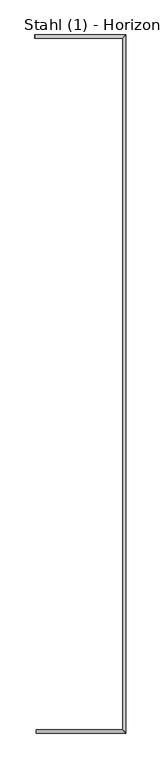
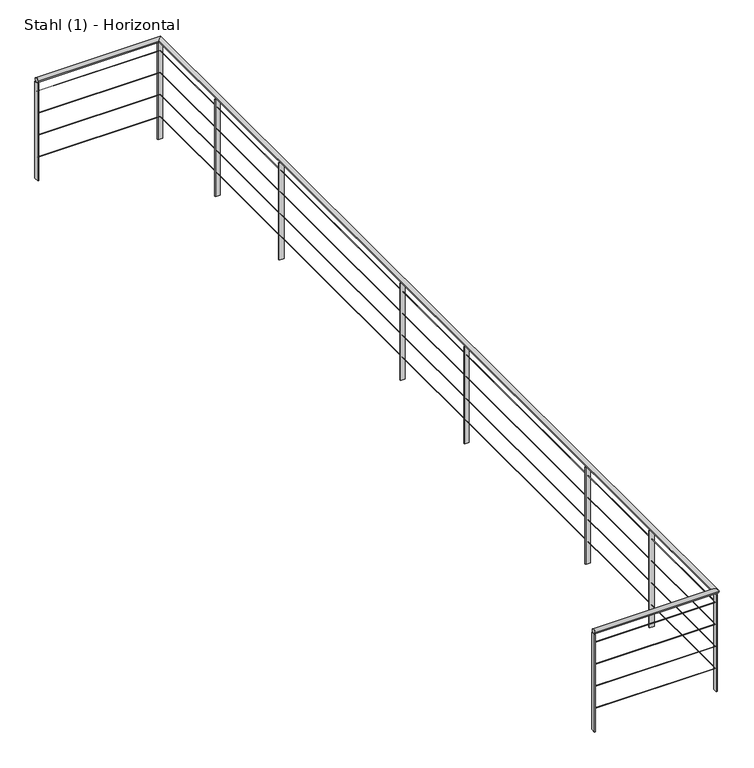
"""IFC4 building model written with IfcOpenShell, lengths in millimetres: railing geometry, Stahl (1) - Horizontal."""

from ifc_helpers import new_model, si_unit, frame, origin, place, context, project, spatial, polyline, circle_curve, ellipse_curve, outline, extrude, source, transform, mapped, element, save
from ifc_brep_helpers import plane_surface, cylinder_surface, advanced_brep


def stahl_1_horizontal_2dc87f12(model_context):
    return source(origin(), model_context, "Body", "SolidModel", [
        advanced_brep(
        [(34782.3888375, 17220.3990241, 4700.0), (34782.3888375, 17180.3990241, 4700.0), (35805.7514238, 17220.3990241, 4700.0), (35845.7514238, 17180.3990241, 4700.0), (35805.7514238, 25423.2661875, 4700.0), (35845.7514238, 25463.2661875, 4700.0), (34769.2514238, 25423.2661875, 4700.0), (34769.2514238, 25463.2661875, 4700.0)],
        [
            (0, 1, circle_curve(frame((34782.3888375, 17200.3990241, 4700.0), z_axis=(-1.0, 0.0, 0.0), x_axis=(0.0, -1.0, 0.0)), 20.0)),
            (1, 0, circle_curve(frame((34782.3888375, 17200.3990241, 4700.0), z_axis=(-1.0, 0.0, 0.0), x_axis=(0.0, -1.0, 0.0)), 20.0)),
            (0, 2),
            (2, 3, ellipse_curve(frame((35825.7514238, 17200.3990241, 4700.0), z_axis=(-0.7071067811865475, -0.7071067811865475, 0.0), x_axis=(-0.7071067811865476, 0.7071067811865474, 0.0)), 28.2842712, 20.0)),
            (3, 1),
            (3, 2, ellipse_curve(frame((35825.7514238, 17200.3990241, 4700.0), z_axis=(-0.7071067811865475, -0.7071067811865475, 0.0), x_axis=(-0.7071067811865476, 0.7071067811865474, 0.0)), 28.2842712, 20.0)),
            (2, 4),
            (4, 5, ellipse_curve(frame((35825.7514238, 25443.2661875, 4700.0), z_axis=(0.7071067811865475, -0.7071067811865475, 0.0), x_axis=(-0.7071067811865474, -0.7071067811865476, 0.0)), 28.2842712, 20.0)),
            (5, 3),
            (5, 4, ellipse_curve(frame((35825.7514238, 25443.2661875, 4700.0), z_axis=(0.7071067811865475, -0.7071067811865475, 0.0), x_axis=(-0.7071067811865474, -0.7071067811865476, 0.0)), 28.2842712, 20.0)),
            (6, 7, circle_curve(frame((34769.2514238, 25443.2661875, 4700.0), z_axis=(-1.0, 0.0, 0.0), x_axis=(0.0, 1.0, 0.0)), 20.0)),
            (7, 6, circle_curve(frame((34769.2514238, 25443.2661875, 4700.0), z_axis=(-1.0, 0.0, 0.0), x_axis=(0.0, 1.0, 0.0)), 20.0)),
            (4, 6),
            (7, 5),
        ],
        [
            plane_surface(frame((34782.3888375, 17200.3990241, 4720.0), z_axis=(-1.0, 0.0, 0.0), x_axis=(0.0, 1.0, 0.0))),
            cylinder_surface(frame((34782.3888375, 17200.3990241, 4700.0), z_axis=(-1.0, 0.0, 0.0), x_axis=(0.0, -1.0, 0.0)), 20.0),
            cylinder_surface(frame((35825.7514238, 17200.3990241, 4700.0), z_axis=(0.0, -1.0, 0.0), x_axis=(1.0, 0.0, 0.0)), 20.0),
            plane_surface(frame((34769.2514238, 25443.2661875, 4720.0), z_axis=(-1.0, 0.0, 0.0), x_axis=(0.0, -1.0, 0.0))),
            cylinder_surface(frame((35825.7514238, 25443.2661875, 4700.0), z_axis=(1.0, 0.0, 0.0), x_axis=(0.0, 1.0, 0.0)), 20.0),
        ],
        [
            (0, [[1, 2]]),
            (1, [[-1, 3, 4, 5]]),
            (1, [[-2, -5, 6, -3]]),
            (2, [[-4, 7, 8, 9]]),
            (2, [[-6, -9, 10, -7]]),
            (3, [[11, 12]]),
            (4, [[-8, 13, -12, 14]]),
            (4, [[-10, -14, -11, -13]]),
        ],
    ),
        advanced_brep(
        [(34782.3888375, 17201.8990241, 4598.5), (34782.3888375, 17198.8990241, 4598.5), (35824.2514238, 17201.8990241, 4598.5), (35827.2514238, 17198.8990241, 4598.5), (35824.2514238, 25441.7661875, 4598.5), (35827.2514238, 25444.7661875, 4598.5), (34769.2514238, 25441.7661875, 4598.5), (34769.2514238, 25444.7661875, 4598.5)],
        [
            (0, 1, circle_curve(frame((34782.3888375, 17200.3990241, 4598.5), z_axis=(-1.0, 0.0, 0.0), x_axis=(0.0, -1.0, 0.0)), 1.5)),
            (1, 0, circle_curve(frame((34782.3888375, 17200.3990241, 4598.5), z_axis=(-1.0, 0.0, 0.0), x_axis=(0.0, -1.0, 0.0)), 1.5)),
            (0, 2),
            (2, 3, ellipse_curve(frame((35825.7514238, 17200.3990241, 4598.5), z_axis=(-0.7071067811865475, -0.7071067811865475, 0.0), x_axis=(-0.7071067811865476, 0.7071067811865474, 0.0)), 2.1213203, 1.5)),
            (3, 1),
            (3, 2, ellipse_curve(frame((35825.7514238, 17200.3990241, 4598.5), z_axis=(-0.7071067811865475, -0.7071067811865475, 0.0), x_axis=(-0.7071067811865476, 0.7071067811865474, 0.0)), 2.1213203, 1.5)),
            (2, 4),
            (4, 5, ellipse_curve(frame((35825.7514238, 25443.2661875, 4598.5), z_axis=(0.7071067811865475, -0.7071067811865475, 0.0), x_axis=(-0.7071067811865474, -0.7071067811865476, 0.0)), 2.1213203, 1.5)),
            (5, 3),
            (5, 4, ellipse_curve(frame((35825.7514238, 25443.2661875, 4598.5), z_axis=(0.7071067811865475, -0.7071067811865475, 0.0), x_axis=(-0.7071067811865474, -0.7071067811865476, 0.0)), 2.1213203, 1.5)),
            (6, 7, circle_curve(frame((34769.2514238, 25443.2661875, 4598.5), z_axis=(-1.0, 0.0, 0.0), x_axis=(0.0, 1.0, 0.0)), 1.5)),
            (7, 6, circle_curve(frame((34769.2514238, 25443.2661875, 4598.5), z_axis=(-1.0, 0.0, 0.0), x_axis=(0.0, 1.0, 0.0)), 1.5)),
            (4, 6),
            (7, 5),
        ],
        [
            plane_surface(frame((34782.3888375, 17200.3990241, 4600.0), z_axis=(-1.0, 0.0, 0.0), x_axis=(0.0, 1.0, 0.0))),
            cylinder_surface(frame((34782.3888375, 17200.3990241, 4598.5), z_axis=(-1.0, 0.0, 0.0), x_axis=(0.0, -1.0, 0.0)), 1.5),
            cylinder_surface(frame((35825.7514238, 17200.3990241, 4598.5), z_axis=(0.0, -1.0, 0.0), x_axis=(1.0, 0.0, 0.0)), 1.5),
            plane_surface(frame((34769.2514238, 25443.2661875, 4600.0), z_axis=(-1.0, 0.0, 0.0), x_axis=(0.0, -1.0, 0.0))),
            cylinder_surface(frame((35825.7514238, 25443.2661875, 4598.5), z_axis=(1.0, 0.0, 0.0), x_axis=(0.0, 1.0, 0.0)), 1.5),
        ],
        [
            (0, [[1, 2]]),
            (1, [[-1, 3, 4, 5]]),
            (1, [[-2, -5, 6, -3]]),
            (2, [[-4, 7, 8, 9]]),
            (2, [[-6, -9, 10, -7]]),
            (3, [[11, 12]]),
            (4, [[-8, 13, -12, 14]]),
            (4, [[-10, -14, -11, -13]]),
        ],
    ),
        advanced_brep(
        [(34782.3888375, 17201.8990241, 4398.5), (34782.3888375, 17198.8990241, 4398.5), (35824.2514238, 17201.8990241, 4398.5), (35827.2514238, 17198.8990241, 4398.5), (35824.2514238, 25441.7661875, 4398.5), (35827.2514238, 25444.7661875, 4398.5), (34769.2514238, 25441.7661875, 4398.5), (34769.2514238, 25444.7661875, 4398.5)],
        [
            (0, 1, circle_curve(frame((34782.3888375, 17200.3990241, 4398.5), z_axis=(-1.0, 0.0, 0.0), x_axis=(0.0, -1.0, 0.0)), 1.5)),
            (1, 0, circle_curve(frame((34782.3888375, 17200.3990241, 4398.5), z_axis=(-1.0, 0.0, 0.0), x_axis=(0.0, -1.0, 0.0)), 1.5)),
            (0, 2),
            (2, 3, ellipse_curve(frame((35825.7514238, 17200.3990241, 4398.5), z_axis=(-0.7071067811865475, -0.7071067811865475, 0.0), x_axis=(-0.7071067811865476, 0.7071067811865474, 0.0)), 2.1213203, 1.5)),
            (3, 1),
            (3, 2, ellipse_curve(frame((35825.7514238, 17200.3990241, 4398.5), z_axis=(-0.7071067811865475, -0.7071067811865475, 0.0), x_axis=(-0.7071067811865476, 0.7071067811865474, 0.0)), 2.1213203, 1.5)),
            (2, 4),
            (4, 5, ellipse_curve(frame((35825.7514238, 25443.2661875, 4398.5), z_axis=(0.7071067811865475, -0.7071067811865475, 0.0), x_axis=(-0.7071067811865474, -0.7071067811865476, 0.0)), 2.1213203, 1.5)),
            (5, 3),
            (5, 4, ellipse_curve(frame((35825.7514238, 25443.2661875, 4398.5), z_axis=(0.7071067811865475, -0.7071067811865475, 0.0), x_axis=(-0.7071067811865474, -0.7071067811865476, 0.0)), 2.1213203, 1.5)),
            (6, 7, circle_curve(frame((34769.2514238, 25443.2661875, 4398.5), z_axis=(-1.0, 0.0, 0.0), x_axis=(0.0, 1.0, 0.0)), 1.5)),
            (7, 6, circle_curve(frame((34769.2514238, 25443.2661875, 4398.5), z_axis=(-1.0, 0.0, 0.0), x_axis=(0.0, 1.0, 0.0)), 1.5)),
            (4, 6),
            (7, 5),
        ],
        [
            plane_surface(frame((34782.3888375, 17200.3990241, 4400.0), z_axis=(-1.0, 0.0, 0.0), x_axis=(0.0, 1.0, 0.0))),
            cylinder_surface(frame((34782.3888375, 17200.3990241, 4398.5), z_axis=(-1.0, 0.0, 0.0), x_axis=(0.0, -1.0, 0.0)), 1.5),
            cylinder_surface(frame((35825.7514238, 17200.3990241, 4398.5), z_axis=(0.0, -1.0, 0.0), x_axis=(1.0, 0.0, 0.0)), 1.5),
            plane_surface(frame((34769.2514238, 25443.2661875, 4400.0), z_axis=(-1.0, 0.0, 0.0), x_axis=(0.0, -1.0, 0.0))),
            cylinder_surface(frame((35825.7514238, 25443.2661875, 4398.5), z_axis=(1.0, 0.0, 0.0), x_axis=(0.0, 1.0, 0.0)), 1.5),
        ],
        [
            (0, [[1, 2]]),
            (1, [[-1, 3, 4, 5]]),
            (1, [[-2, -5, 6, -3]]),
            (2, [[-4, 7, 8, 9]]),
            (2, [[-6, -9, 10, -7]]),
            (3, [[11, 12]]),
            (4, [[-8, 13, -12, 14]]),
            (4, [[-10, -14, -11, -13]]),
        ],
    ),
        advanced_brep(
        [(34782.3888375, 17201.8990241, 4198.5), (34782.3888375, 17198.8990241, 4198.5), (35824.2514238, 17201.8990241, 4198.5), (35827.2514238, 17198.8990241, 4198.5), (35824.2514238, 25441.7661875, 4198.5), (35827.2514238, 25444.7661875, 4198.5), (34769.2514238, 25441.7661875, 4198.5), (34769.2514238, 25444.7661875, 4198.5)],
        [
            (0, 1, circle_curve(frame((34782.3888375, 17200.3990241, 4198.5), z_axis=(-1.0, 0.0, 0.0), x_axis=(0.0, -1.0, 0.0)), 1.5)),
            (1, 0, circle_curve(frame((34782.3888375, 17200.3990241, 4198.5), z_axis=(-1.0, 0.0, 0.0), x_axis=(0.0, -1.0, 0.0)), 1.5)),
            (0, 2),
            (2, 3, ellipse_curve(frame((35825.7514238, 17200.3990241, 4198.5), z_axis=(-0.7071067811865475, -0.7071067811865475, 0.0), x_axis=(-0.7071067811865476, 0.7071067811865474, 0.0)), 2.1213203, 1.5)),
            (3, 1),
            (3, 2, ellipse_curve(frame((35825.7514238, 17200.3990241, 4198.5), z_axis=(-0.7071067811865475, -0.7071067811865475, 0.0), x_axis=(-0.7071067811865476, 0.7071067811865474, 0.0)), 2.1213203, 1.5)),
            (2, 4),
            (4, 5, ellipse_curve(frame((35825.7514238, 25443.2661875, 4198.5), z_axis=(0.7071067811865475, -0.7071067811865475, 0.0), x_axis=(-0.7071067811865474, -0.7071067811865476, 0.0)), 2.1213203, 1.5)),
            (5, 3),
            (5, 4, ellipse_curve(frame((35825.7514238, 25443.2661875, 4198.5), z_axis=(0.7071067811865475, -0.7071067811865475, 0.0), x_axis=(-0.7071067811865474, -0.7071067811865476, 0.0)), 2.1213203, 1.5)),
            (6, 7, circle_curve(frame((34769.2514238, 25443.2661875, 4198.5), z_axis=(-1.0, 0.0, 0.0), x_axis=(0.0, 1.0, 0.0)), 1.5)),
            (7, 6, circle_curve(frame((34769.2514238, 25443.2661875, 4198.5), z_axis=(-1.0, 0.0, 0.0), x_axis=(0.0, 1.0, 0.0)), 1.5)),
            (4, 6),
            (7, 5),
        ],
        [
            plane_surface(frame((34782.3888375, 17200.3990241, 4200.0), z_axis=(-1.0, 0.0, 0.0), x_axis=(0.0, 1.0, 0.0))),
            cylinder_surface(frame((34782.3888375, 17200.3990241, 4198.5), z_axis=(-1.0, 0.0, 0.0), x_axis=(0.0, -1.0, 0.0)), 1.5),
            cylinder_surface(frame((35825.7514238, 17200.3990241, 4198.5), z_axis=(0.0, -1.0, 0.0), x_axis=(1.0, 0.0, 0.0)), 1.5),
            plane_surface(frame((34769.2514238, 25443.2661875, 4200.0), z_axis=(-1.0, 0.0, 0.0), x_axis=(0.0, -1.0, 0.0))),
            cylinder_surface(frame((35825.7514238, 25443.2661875, 4198.5), z_axis=(1.0, 0.0, 0.0), x_axis=(0.0, 1.0, 0.0)), 1.5),
        ],
        [
            (0, [[1, 2]]),
            (1, [[-1, 3, 4, 5]]),
            (1, [[-2, -5, 6, -3]]),
            (2, [[-4, 7, 8, 9]]),
            (2, [[-6, -9, 10, -7]]),
            (3, [[11, 12]]),
            (4, [[-8, 13, -12, 14]]),
            (4, [[-10, -14, -11, -13]]),
        ],
    ),
        advanced_brep(
        [(34782.3888375, 17201.8990241, 3998.5), (34782.3888375, 17198.8990241, 3998.5), (35824.2514238, 17201.8990241, 3998.5), (35827.2514238, 17198.8990241, 3998.5), (35824.2514238, 25441.7661875, 3998.5), (35827.2514238, 25444.7661875, 3998.5), (34769.2514238, 25441.7661875, 3998.5), (34769.2514238, 25444.7661875, 3998.5)],
        [
            (0, 1, circle_curve(frame((34782.3888375, 17200.3990241, 3998.5), z_axis=(-1.0, 0.0, 0.0), x_axis=(0.0, -1.0, 0.0)), 1.5)),
            (1, 0, circle_curve(frame((34782.3888375, 17200.3990241, 3998.5), z_axis=(-1.0, 0.0, 0.0), x_axis=(0.0, -1.0, 0.0)), 1.5)),
            (0, 2),
            (2, 3, ellipse_curve(frame((35825.7514238, 17200.3990241, 3998.5), z_axis=(-0.7071067811865475, -0.7071067811865475, 0.0), x_axis=(-0.7071067811865476, 0.7071067811865474, 0.0)), 2.1213203, 1.5)),
            (3, 1),
            (3, 2, ellipse_curve(frame((35825.7514238, 17200.3990241, 3998.5), z_axis=(-0.7071067811865475, -0.7071067811865475, 0.0), x_axis=(-0.7071067811865476, 0.7071067811865474, 0.0)), 2.1213203, 1.5)),
            (2, 4),
            (4, 5, ellipse_curve(frame((35825.7514238, 25443.2661875, 3998.5), z_axis=(0.7071067811865475, -0.7071067811865475, 0.0), x_axis=(-0.7071067811865474, -0.7071067811865476, 0.0)), 2.1213203, 1.5)),
            (5, 3),
            (5, 4, ellipse_curve(frame((35825.7514238, 25443.2661875, 3998.5), z_axis=(0.7071067811865475, -0.7071067811865475, 0.0), x_axis=(-0.7071067811865474, -0.7071067811865476, 0.0)), 2.1213203, 1.5)),
            (6, 7, circle_curve(frame((34769.2514238, 25443.2661875, 3998.5), z_axis=(-1.0, 0.0, 0.0), x_axis=(0.0, 1.0, 0.0)), 1.5)),
            (7, 6, circle_curve(frame((34769.2514238, 25443.2661875, 3998.5), z_axis=(-1.0, 0.0, 0.0), x_axis=(0.0, 1.0, 0.0)), 1.5)),
            (4, 6),
            (7, 5),
        ],
        [
            plane_surface(frame((34782.3888375, 17200.3990241, 4000.0), z_axis=(-1.0, 0.0, 0.0), x_axis=(0.0, 1.0, 0.0))),
            cylinder_surface(frame((34782.3888375, 17200.3990241, 3998.5), z_axis=(-1.0, 0.0, 0.0), x_axis=(0.0, -1.0, 0.0)), 1.5),
            cylinder_surface(frame((35825.7514238, 17200.3990241, 3998.5), z_axis=(0.0, -1.0, 0.0), x_axis=(1.0, 0.0, 0.0)), 1.5),
            plane_surface(frame((34769.2514238, 25443.2661875, 4000.0), z_axis=(-1.0, 0.0, 0.0), x_axis=(0.0, -1.0, 0.0))),
            cylinder_surface(frame((35825.7514238, 25443.2661875, 3998.5), z_axis=(1.0, 0.0, 0.0), x_axis=(0.0, 1.0, 0.0)), 1.5),
        ],
        [
            (0, [[1, 2]]),
            (1, [[-1, 3, 4, 5]]),
            (1, [[-2, -5, 6, -3]]),
            (2, [[-4, 7, 8, 9]]),
            (2, [[-6, -9, 10, -7]]),
            (3, [[11, 12]]),
            (4, [[-8, 13, -12, 14]]),
            (4, [[-10, -14, -11, -13]]),
        ],
    ),
        extrude(outline(polyline([(35845.7514238, 24586.5557913), (35805.7514238, 24586.5557913), (35805.7514238, 24594.5557913), (35845.7514238, 24594.5557913), (35845.7514238, 24586.5557913)])), frame((0.0, 0.0, 3800.0), z_axis=(0.0, 0.0, 1.0), x_axis=(1.0, 0.0, 0.0)), (0.0, 0.0, 1.0), 880.0),
        extrude(outline(polyline([(35845.7514238, 23639.0997955), (35805.7514238, 23639.0997955), (35805.7514238, 23647.0997955), (35845.7514238, 23647.0997955), (35845.7514238, 23639.0997955)])), frame((0.0, 0.0, 3800.0), z_axis=(0.0, 0.0, 1.0), x_axis=(1.0, 0.0, 0.0)), (0.0, 0.0, 1.0), 880.0),
        extrude(outline(polyline([(35845.7514238, 21838.9334035), (35805.7514238, 21838.9334035), (35805.7514238, 21846.9334035), (35845.7514238, 21846.9334035), (35845.7514238, 21838.9334035)])), frame((0.0, 0.0, 3800.0), z_axis=(0.0, 0.0, 1.0), x_axis=(1.0, 0.0, 0.0)), (0.0, 0.0, 1.0), 880.0),
        extrude(outline(polyline([(35845.7514238, 20891.4774077), (35805.7514238, 20891.4774077), (35805.7514238, 20899.4774077), (35845.7514238, 20899.4774077), (35845.7514238, 20891.4774077)])), frame((0.0, 0.0, 3800.0), z_axis=(0.0, 0.0, 1.0), x_axis=(1.0, 0.0, 0.0)), (0.0, 0.0, 1.0), 880.0),
        extrude(outline(polyline([(35845.7514238, 19091.3110157), (35805.7514238, 19091.3110157), (35805.7514238, 19099.3110157), (35845.7514238, 19099.3110157), (35845.7514238, 19091.3110157)])), frame((0.0, 0.0, 3800.0), z_axis=(0.0, 0.0, 1.0), x_axis=(1.0, 0.0, 0.0)), (0.0, 0.0, 1.0), 880.0),
        extrude(outline(polyline([(35845.7514238, 18143.8550199), (35805.7514238, 18143.8550199), (35805.7514238, 18151.8550199), (35845.7514238, 18151.8550199), (35845.7514238, 18143.8550199)])), frame((0.0, 0.0, 3800.0), z_axis=(0.0, 0.0, 1.0), x_axis=(1.0, 0.0, 0.0)), (0.0, 0.0, 1.0), 880.0),
        extrude(outline(polyline([(35845.7514238, 25439.2661875), (35805.7514238, 25439.2661875), (35805.7514238, 25447.2661875), (35845.7514238, 25447.2661875), (35845.7514238, 25439.2661875)])), frame((0.0, 0.0, 3800.0), z_axis=(0.0, 0.0, 1.0), x_axis=(1.0, 0.0, 0.0)), (0.0, 0.0, 1.0), 880.0),
        extrude(outline(polyline([(35821.7514238, 17180.3990241), (35821.7514238, 17220.3990241), (35829.7514238, 17220.3990241), (35829.7514238, 17180.3990241), (35821.7514238, 17180.3990241)])), frame((0.0, 0.0, 3800.0), z_axis=(0.0, 0.0, 1.0), x_axis=(1.0, 0.0, 0.0)), (0.0, 0.0, 1.0), 880.0),
        extrude(outline(polyline([(34773.2514238, 25463.2661875), (34773.2514238, 25423.2661875), (34765.2514238, 25423.2661875), (34765.2514238, 25463.2661875), (34773.2514238, 25463.2661875)])), frame((0.0, 0.0, 3800.0), z_axis=(0.0, 0.0, 1.0), x_axis=(1.0, 0.0, 0.0)), (0.0, 0.0, 1.0), 880.0),
        extrude(outline(polyline([(34778.3888375, 17180.3990241), (34778.3888375, 17220.3990241), (34786.3888375, 17220.3990241), (34786.3888375, 17180.3990241), (34778.3888375, 17180.3990241)])), frame((0.0, 0.0, 3800.0), z_axis=(0.0, 0.0, 1.0), x_axis=(1.0, 0.0, 0.0)), (0.0, 0.0, 1.0), 880.0),
    ])


if __name__ == "__main__":
    model = new_model("IFC4")
    model_context = context("Model", 3, world=origin())
    ifc_project = project(units=[si_unit("LENGTHUNIT", "METRE", prefix="MILLI")], contexts=[model_context])
    site = spatial("IfcSite", under=ifc_project)
    building = spatial("IfcBuilding", under=site)
    placement = place(None, origin())
    stahl_1_horizontal_shape = stahl_1_horizontal_2dc87f12(model_context)
    element("IfcRailing", 1, ObjectType="Stahl (1) - Horizontal", at=placement, inside=building, context=model_context, shape_type="MappedRepresentation", body=[
        mapped(stahl_1_horizontal_shape, transform((0.0, 0.0, 0.0), x_axis=(1.0, 0.0, 0.0), y_axis=(0.0, 1.0, 0.0), z_axis=(0.0, 0.0, 1.0))),
    ])
    save(model, "model.ifc")
